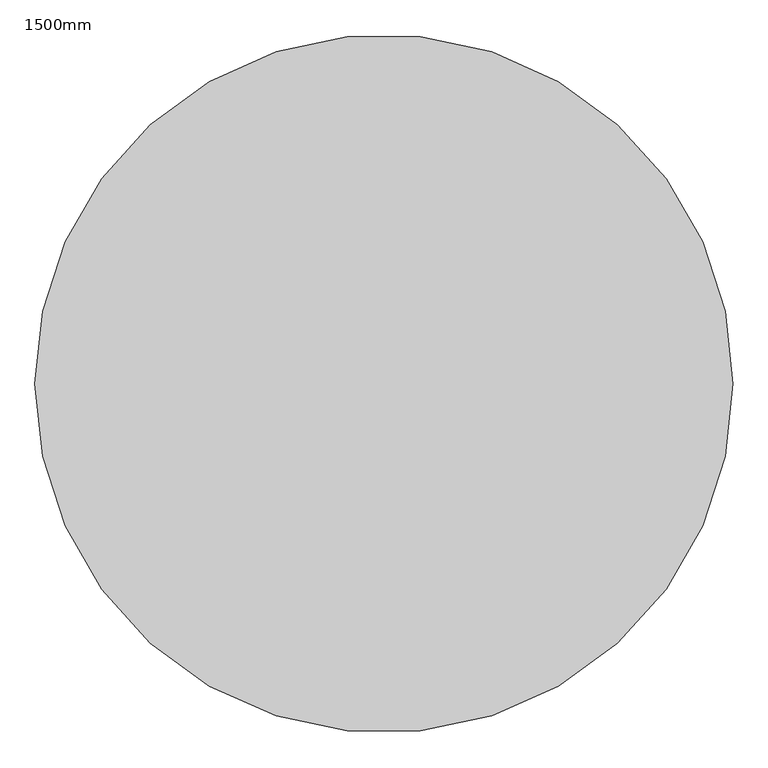
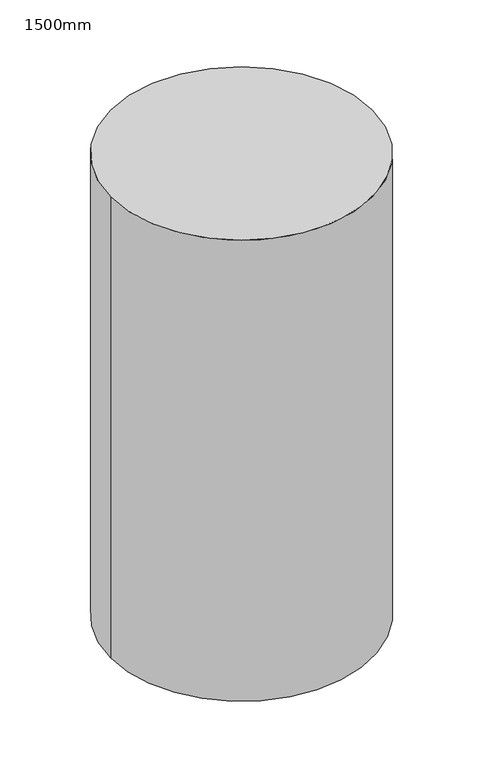
"""IFC4 building model written with IfcOpenShell, lengths in millimetres: column geometry, 1500mm."""

from ifc_helpers import new_model, si_unit, point, frame, origin, origin_2d, place, context, project, spatial, circle_curve, trimmed, segment, composite_curve, outline, extrude, source, transform, mapped, element, save


def column_1500mm_78128b0e(model_context):
    return source(origin(), model_context, "Body", "SweptSolid", [
        extrude(outline(composite_curve([segment(trimmed(circle_curve(origin_2d(), 750.0), [point((-750.0, 0.0))], [point((750.0, 0.0))], False, "CARTESIAN"), True, "CONTINUOUS"), segment(trimmed(circle_curve(origin_2d(), 750.0), [point((750.0, 0.0))], [point((-750.0, 0.0))], False, "CARTESIAN"), True, "CONTINUOUS")], self_intersect=False)), frame((0.0, 0.0, 1300.0), z_axis=(0.0, 0.0, 1.0), x_axis=(1.0, 0.0, 0.0)), (0.0, 0.0, 1.0), 2790.0),
    ])


if __name__ == "__main__":
    model = new_model("IFC4")
    model_context = context("Model", 3, world=origin())
    ifc_project = project(units=[si_unit("LENGTHUNIT", "METRE", prefix="MILLI")], contexts=[model_context])
    site = spatial("IfcSite", under=ifc_project)
    building = spatial("IfcBuilding", under=site)
    placement = place(None, origin())
    column_1500mm_shape = column_1500mm_78128b0e(model_context)
    element("IfcColumn", 1, ObjectType="1500mm", at=placement, inside=building, context=model_context, shape_type="MappedRepresentation", body=[
        mapped(column_1500mm_shape, transform((0.0, 0.0, 0.0), x_axis=(1.0, 0.0, 0.0), y_axis=(0.0, 1.0, 0.0), z_axis=(0.0, 0.0, 1.0))),
    ])
    save(model, "model.ifc")
